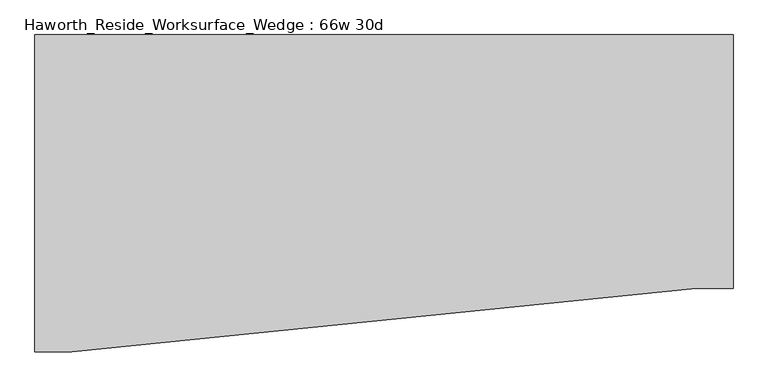
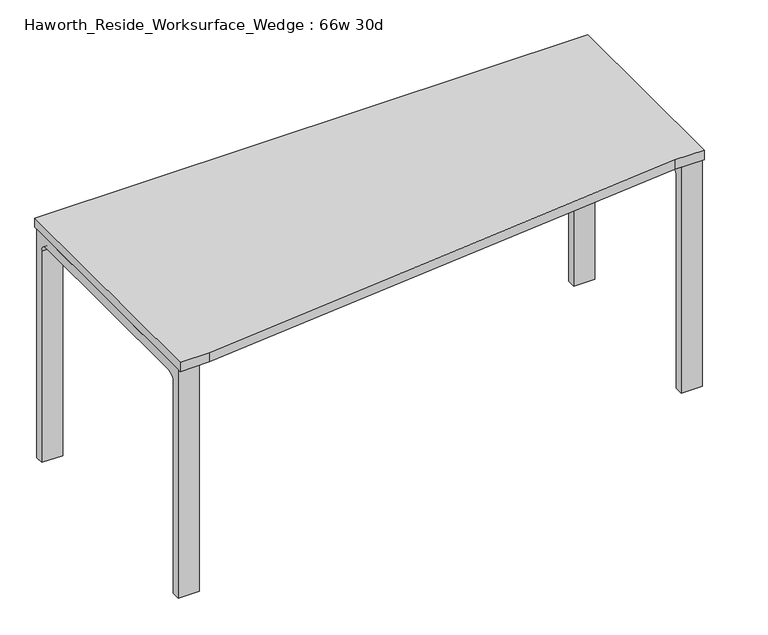
"""IFC4 building model written with IfcOpenShell, lengths in millimetres: furniture geometry, Haworth_Reside_Worksurface_Wedge : 66w 30d."""

import ifcopenshell
import ifcopenshell.guid

model = None  # the IFC model being written
_history = None  # IfcOwnerHistory: only IFC2X3 demands one
_inside = {}  # id of a spatial element -> (the spatial element, [elements in it])
_under = {}  # id of a project, library or spatial element -> (it, [spatial elements below it])
_declared = {}  # id of a project -> (the project, [libraries it declares])
_typed = {}  # id of a type object -> (the type object, [elements of that type])
_made_of = {}  # id of a material, layer set ... -> (it, [elements and type objects made of it])


def new_model(schema):
    """Start an empty IFC model of exactly this schema.

    Asked for "IFC4X3", IfcOpenShell would pick the latest addendum, in which some entities
    have other attributes; the version numbers below select the first issue.
    IFC2X3 requires an IfcOwnerHistory on every rooted entity: one is made here for all.
    """
    global model, _history
    if schema == "IFC4X3":
        model = ifcopenshell.file(schema_version=(4, 3, 0, 0))
    else:
        model = ifcopenshell.file(schema=schema)
    _inside.clear()
    _under.clear()
    _declared.clear()
    _typed.clear()
    _made_of.clear()
    _history = None
    if model.schema == "IFC2X3":
        org = make("IfcOrganization", Name="unknown")
        user = make(
            "IfcPersonAndOrganization",
            ThePerson=make("IfcPerson", FamilyName="unknown"),
            TheOrganization=org,
        )
        app = make(
            "IfcApplication",
            ApplicationDeveloper=org,
            Version="unknown",
            ApplicationFullName="unknown",
            ApplicationIdentifier="unknown",
        )
        _history = make(
            "IfcOwnerHistory",
            OwningUser=user,
            OwningApplication=app,
            ChangeAction="ADDED",
            CreationDate=0,
        )
    return model


def make(cls, **values):
    """One entity of the class cls with the attributes given. An attribute that is None is left unset."""
    return model.create_entity(
        cls, **{name: value for name, value in values.items() if value is not None}
    )


def rooted(cls, **values):
    """An entity with a GlobalId (a new one), such as an element, a storey or a relation."""
    return make(cls, GlobalId=ifcopenshell.guid.new(), OwnerHistory=_history, **values)


def si_unit(unit_type, name, prefix=None):
    """IfcSIUnit, for example si_unit("LENGTHUNIT", "METRE", prefix="MILLI")."""
    return make("IfcSIUnit", UnitType=unit_type, Prefix=prefix, Name=name)


def assignment(units):
    """IfcUnitAssignment: the units of a project."""
    return None if units is None else make("IfcUnitAssignment", Units=units)


def point(xyz):
    """IfcCartesianPoint."""
    return None if xyz is None else make("IfcCartesianPoint", Coordinates=xyz)


def direction(xyz):
    """IfcDirection."""
    return None if xyz is None else make("IfcDirection", DirectionRatios=xyz)


def frame(location, z_axis=None, x_axis=None):
    """IfcAxis2Placement3D, a coordinate frame: its origin and axes. An axis left out is left unset."""
    return make(
        "IfcAxis2Placement3D",
        Location=point(location),
        Axis=direction(z_axis),
        RefDirection=direction(x_axis),
    )


def frame_2d(location, x_axis=None):
    """IfcAxis2Placement2D, a coordinate frame in the plane: its origin and x axis."""
    return make(
        "IfcAxis2Placement2D", Location=point(location), RefDirection=direction(x_axis)
    )


def origin():
    """The frame at (0, 0, 0) with its axes left unset."""
    return frame((0.0, 0.0, 0.0))


def place(relative_to, where):
    """IfcLocalPlacement: puts the frame where relative to a parent placement (None: the world)."""
    return make(
        "IfcLocalPlacement", PlacementRelTo=relative_to, RelativePlacement=where
    )


def context(
    kind, dimensions, precision=None, world=None, true_north=None, identifier=None
):
    """IfcGeometricRepresentationContext, for example the 3D "Model" context."""
    return make(
        "IfcGeometricRepresentationContext",
        ContextIdentifier=identifier,
        ContextType=kind,
        CoordinateSpaceDimension=dimensions,
        Precision=precision,
        WorldCoordinateSystem=world,
        TrueNorth=true_north,
    )


def project(units=None, contexts=None):
    """IfcProject with its units and contexts."""
    return rooted(
        "IfcProject",
        Name="project",
        RepresentationContexts=contexts,
        UnitsInContext=assignment(units),
    )


def spatial(cls, under=None, at=None, **own):
    """A site, building, storey or space (cls), placed at a placement, below another one or the project."""
    s = rooted(cls, ObjectPlacement=at, **own)
    if under is not None:
        _under.setdefault(under.id(), (under, []))[1].append(s)
    return s


def polyline(points):
    """IfcPolyline through the points."""
    return make("IfcPolyline", Points=[point(p) for p in points])


def circle_curve(where, radius):
    """IfcCircle in the frame where."""
    return make("IfcCircle", Position=where, Radius=radius)


def trimmed(basis, trim1, trim2, sense, master):
    """IfcTrimmedCurve: the piece of a basis curve between two trims."""
    return make(
        "IfcTrimmedCurve",
        BasisCurve=basis,
        Trim1=trim1,
        Trim2=trim2,
        SenseAgreement=sense,
        MasterRepresentation=master,
    )


def segment(curve, same_sense, transition):
    """IfcCompositeCurveSegment."""
    return make(
        "IfcCompositeCurveSegment",
        Transition=transition,
        SameSense=same_sense,
        ParentCurve=curve,
    )


def composite_curve(segments, self_intersect=None):
    """IfcCompositeCurve: segments joined end to end."""
    return make("IfcCompositeCurve", Segments=segments, SelfIntersect=self_intersect)


def outline(outer, holes=None, kind="AREA"):
    """IfcArbitraryClosedProfileDef: a profile drawn as a closed curve; with holes, ...WithVoids."""
    if holes is None:
        return make("IfcArbitraryClosedProfileDef", ProfileType=kind, OuterCurve=outer)
    return make(
        "IfcArbitraryProfileDefWithVoids",
        ProfileType=kind,
        OuterCurve=outer,
        InnerCurves=holes,
    )


def extrude(swept, where, along, depth):
    """IfcExtrudedAreaSolid: the profile swept, set in the frame where, extruded along a direction by depth."""
    return make(
        "IfcExtrudedAreaSolid",
        SweptArea=swept,
        Position=where,
        ExtrudedDirection=direction(along),
        Depth=depth,
    )


def shape(context_of_items, identifier, shape_type, items):
    """IfcShapeRepresentation: the items that make up one representation, for example the "Body"."""
    return make(
        "IfcShapeRepresentation",
        ContextOfItems=context_of_items,
        RepresentationIdentifier=identifier,
        RepresentationType=shape_type,
        Items=items,
    )


def source(mapping_origin, context_of_items, identifier, shape_type, items):
    """IfcRepresentationMap: a shape defined once, which mapped items show again and again."""
    return make(
        "IfcRepresentationMap",
        MappingOrigin=mapping_origin,
        MappedRepresentation=shape(context_of_items, identifier, shape_type, items),
    )


def transform(
    local_origin,
    x_axis=None,
    y_axis=None,
    z_axis=None,
    scale=None,
    scale2=None,
    scale3=None,
    uniform=True,
):
    """IfcCartesianTransformationOperator3D, or its non-uniform kind. x_axis, y_axis, z_axis: its Axis1, 2, 3."""
    if uniform:
        return make(
            "IfcCartesianTransformationOperator3D",
            Axis1=direction(x_axis),
            Axis2=direction(y_axis),
            LocalOrigin=point(local_origin),
            Scale=scale,
            Axis3=direction(z_axis),
        )
    return make(
        "IfcCartesianTransformationOperator3DnonUniform",
        Axis1=direction(x_axis),
        Axis2=direction(y_axis),
        LocalOrigin=point(local_origin),
        Scale=scale,
        Axis3=direction(z_axis),
        Scale2=scale2,
        Scale3=scale3,
    )


def mapped(mapping_source, mapping_target):
    """IfcMappedItem: shows the shape of a source again, moved by a transform."""
    return make(
        "IfcMappedItem", MappingSource=mapping_source, MappingTarget=mapping_target
    )


def made_of(thing, what):
    """Note that an element or type object is made of a material, layer set ...; save() writes the relation."""
    if what is not None:
        _made_of.setdefault(what.id(), (what, []))[1].append(thing)
    return thing


def element(
    cls,
    number,
    at=None,
    inside=None,
    cuts=None,
    type_object=None,
    material=None,
    context=None,
    identifier="Body",
    shape_type=None,
    held_by="IfcProductDefinitionShape",
    body=None,
    shapes=None,
    **own,
):
    """One element of the class cls, such as IfcWall. Its Tag is "e" and its number.

    at: its placement. inside: the storey or other place that contains it. cuts: it is an
    opening in that element (IfcRelVoidsElement). A single representation is given by context,
    identifier, shape_type and body (its items); several are given by shapes. held_by: the class
    of the entity that holds the representations. save() writes the other relations.
    """
    e = rooted(cls, Tag="e%d" % number, ObjectPlacement=at, **own)
    if body is not None:
        shapes = [shape(context, identifier, shape_type, body)]
    if shapes is not None:
        e.Representation = make(held_by, Representations=shapes)
    if inside is not None:
        _inside.setdefault(inside.id(), (inside, []))[1].append(e)
    if cuts is not None:
        rooted(
            "IfcRelVoidsElement", RelatingBuildingElement=cuts, RelatedOpeningElement=e
        )
    if type_object is not None:
        _typed.setdefault(type_object.id(), (type_object, []))[1].append(e)
    return made_of(e, material)


def aggregate(whole, parts):
    """IfcRelAggregates: a whole, such as a stair, and the parts it consists of."""
    return rooted("IfcRelAggregates", RelatingObject=whole, RelatedObjects=parts)


def save(model, path):
    """Write the relations noted so far, then the file.

    IfcRelAggregates (storeys below a building ...), IfcRelContainedInSpatialStructure (elements
    in a storey), IfcRelDefinesByType, IfcRelAssociatesMaterial and IfcRelDeclares: one each for
    every whole, place, type object, material and project.
    """
    for whole, parts in _under.values():
        aggregate(whole, parts)
    for where, things in _inside.values():
        rooted(
            "IfcRelContainedInSpatialStructure",
            RelatedElements=things,
            RelatingStructure=where,
        )
    for kind, things in _typed.values():
        rooted("IfcRelDefinesByType", RelatedObjects=things, RelatingType=kind)
    for what, things in _made_of.values():
        rooted("IfcRelAssociatesMaterial", RelatedObjects=things, RelatingMaterial=what)
    for by, libraries in _declared.values():
        rooted("IfcRelDeclares", RelatingContext=by, RelatedDefinitions=libraries)
    model.write(path)


def haworth_reside_worksurface_wedge_66w_30d_483629d5(model_context):
    return source(origin(), model_context, "Body", "SweptSolid", [
        extrude(outline(composite_curve([segment(trimmed(circle_curve(frame_2d((396.875, 676.275)), 25.4), [point((422.275, 676.275))], [point((396.875, 701.675))], True, "CARTESIAN"), True, "CONTINUOUS"), segment(polyline([(396.875, 701.675), (-92.075, 701.675)]), True, "CONTINUOUS"), segment(trimmed(circle_curve(frame_2d((-92.075, 676.275)), 25.4), [point((-92.075, 701.675))], [point((-117.475, 676.275))], True, "CARTESIAN"), True, "CONTINUOUS"), segment(polyline([(-117.475, 676.275), (-117.475, 0.0), (-142.875, 0.0), (-142.875, 731.8375), (447.675, 731.8375), (447.675, 0.0), (422.275, 0.0), (422.275, 676.275)]), True, "CONTINUOUS")], self_intersect=False)), frame((774.7, 0.0, 0.0), z_axis=(1.0, 0.0, 0.0), x_axis=(0.0, 1.0, 0.0)), (0.0, 0.0, 1.0), 63.5),
        extrude(outline(composite_curve([segment(trimmed(circle_curve(frame_2d((396.875, 676.275)), 25.4), [point((422.275, 676.275))], [point((396.875, 701.675))], True, "CARTESIAN"), True, "CONTINUOUS"), segment(polyline([(396.875, 701.675), (-244.475, 701.675)]), True, "CONTINUOUS"), segment(trimmed(circle_curve(frame_2d((-244.475, 676.275)), 25.4), [point((-244.475, 701.675))], [point((-269.875, 676.275))], True, "CARTESIAN"), True, "CONTINUOUS"), segment(polyline([(-269.875, 676.275), (-269.875, 0.0), (-295.275, 0.0), (-295.275, 731.8375), (447.675, 731.8375), (447.675, 0.0), (422.275, 0.0), (422.275, 676.275)]), True, "CONTINUOUS")], self_intersect=False)), frame((-838.2, 0.0, 0.0), z_axis=(1.0, 0.0, 0.0), x_axis=(0.0, 1.0, 0.0)), (0.0, 0.0, 1.0), 63.5),
        extrude(outline(polyline([(838.2, 457.2), (838.2, -152.4), (749.3, -152.4), (-749.3, -304.8), (-838.2, -304.8), (-838.2, 457.2), (838.2, 457.2)])), frame((0.0, 0.0, 731.8375), z_axis=(0.0, 0.0, 1.0), x_axis=(1.0, 0.0, 0.0)), (0.0, 0.0, 1.0), 30.1625),
    ])


if __name__ == "__main__":
    model = new_model("IFC4")
    model_context = context("Model", 3, world=origin())
    ifc_project = project(units=[si_unit("LENGTHUNIT", "METRE", prefix="MILLI")], contexts=[model_context])
    site = spatial("IfcSite", under=ifc_project)
    building = spatial("IfcBuilding", under=site)
    placement = place(None, origin())
    haworth_reside_worksurface_wedge_66w_30d_shape = haworth_reside_worksurface_wedge_66w_30d_483629d5(model_context)
    element("IfcFurniture", 1, ObjectType="Haworth_Reside_Worksurface_Wedge : 66w 30d", at=placement, inside=building, context=model_context, shape_type="MappedRepresentation", body=[
        mapped(haworth_reside_worksurface_wedge_66w_30d_shape, transform((0.0, 0.0, 0.0), x_axis=(1.0, 0.0, 0.0), y_axis=(0.0, 1.0, 0.0), z_axis=(0.0, 0.0, 1.0))),
    ])
    save(model, "model.ifc")
